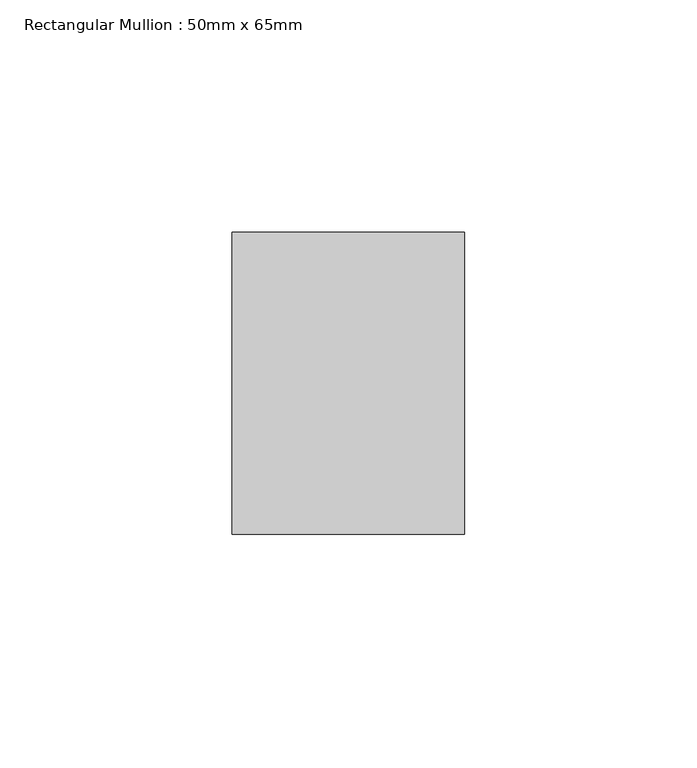
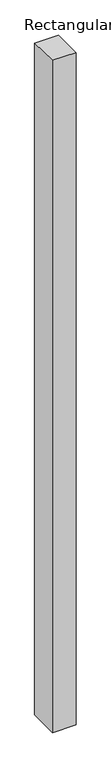
"""IFC4 building model written with IfcOpenShell, lengths in millimetres: member geometry, Rectangular Mullion : 50mm x 65mm."""

import ifcopenshell
import ifcopenshell.guid

model = None  # the IFC model being written
_history = None  # IfcOwnerHistory: only IFC2X3 demands one
_inside = {}  # id of a spatial element -> (the spatial element, [elements in it])
_under = {}  # id of a project, library or spatial element -> (it, [spatial elements below it])
_declared = {}  # id of a project -> (the project, [libraries it declares])
_typed = {}  # id of a type object -> (the type object, [elements of that type])
_made_of = {}  # id of a material, layer set ... -> (it, [elements and type objects made of it])


def new_model(schema):
    """Start an empty IFC model of exactly this schema.

    Asked for "IFC4X3", IfcOpenShell would pick the latest addendum, in which some entities
    have other attributes; the version numbers below select the first issue.
    IFC2X3 requires an IfcOwnerHistory on every rooted entity: one is made here for all.
    """
    global model, _history
    if schema == "IFC4X3":
        model = ifcopenshell.file(schema_version=(4, 3, 0, 0))
    else:
        model = ifcopenshell.file(schema=schema)
    _inside.clear()
    _under.clear()
    _declared.clear()
    _typed.clear()
    _made_of.clear()
    _history = None
    if model.schema == "IFC2X3":
        org = make("IfcOrganization", Name="unknown")
        user = make(
            "IfcPersonAndOrganization",
            ThePerson=make("IfcPerson", FamilyName="unknown"),
            TheOrganization=org,
        )
        app = make(
            "IfcApplication",
            ApplicationDeveloper=org,
            Version="unknown",
            ApplicationFullName="unknown",
            ApplicationIdentifier="unknown",
        )
        _history = make(
            "IfcOwnerHistory",
            OwningUser=user,
            OwningApplication=app,
            ChangeAction="ADDED",
            CreationDate=0,
        )
    return model


def make(cls, **values):
    """One entity of the class cls with the attributes given. An attribute that is None is left unset."""
    return model.create_entity(
        cls, **{name: value for name, value in values.items() if value is not None}
    )


def rooted(cls, **values):
    """An entity with a GlobalId (a new one), such as an element, a storey or a relation."""
    return make(cls, GlobalId=ifcopenshell.guid.new(), OwnerHistory=_history, **values)


def si_unit(unit_type, name, prefix=None):
    """IfcSIUnit, for example si_unit("LENGTHUNIT", "METRE", prefix="MILLI")."""
    return make("IfcSIUnit", UnitType=unit_type, Prefix=prefix, Name=name)


def assignment(units):
    """IfcUnitAssignment: the units of a project."""
    return None if units is None else make("IfcUnitAssignment", Units=units)


def point(xyz):
    """IfcCartesianPoint."""
    return None if xyz is None else make("IfcCartesianPoint", Coordinates=xyz)


def direction(xyz):
    """IfcDirection."""
    return None if xyz is None else make("IfcDirection", DirectionRatios=xyz)


def frame(location, z_axis=None, x_axis=None):
    """IfcAxis2Placement3D, a coordinate frame: its origin and axes. An axis left out is left unset."""
    return make(
        "IfcAxis2Placement3D",
        Location=point(location),
        Axis=direction(z_axis),
        RefDirection=direction(x_axis),
    )


def origin():
    """The frame at (0, 0, 0) with its axes left unset."""
    return frame((0.0, 0.0, 0.0))


def place(relative_to, where):
    """IfcLocalPlacement: puts the frame where relative to a parent placement (None: the world)."""
    return make(
        "IfcLocalPlacement", PlacementRelTo=relative_to, RelativePlacement=where
    )


def context(
    kind, dimensions, precision=None, world=None, true_north=None, identifier=None
):
    """IfcGeometricRepresentationContext, for example the 3D "Model" context."""
    return make(
        "IfcGeometricRepresentationContext",
        ContextIdentifier=identifier,
        ContextType=kind,
        CoordinateSpaceDimension=dimensions,
        Precision=precision,
        WorldCoordinateSystem=world,
        TrueNorth=true_north,
    )


def project(units=None, contexts=None):
    """IfcProject with its units and contexts."""
    return rooted(
        "IfcProject",
        Name="project",
        RepresentationContexts=contexts,
        UnitsInContext=assignment(units),
    )


def spatial(cls, under=None, at=None, **own):
    """A site, building, storey or space (cls), placed at a placement, below another one or the project."""
    s = rooted(cls, ObjectPlacement=at, **own)
    if under is not None:
        _under.setdefault(under.id(), (under, []))[1].append(s)
    return s


def faces_of(points, faces, orient=None, outer=None):
    """IfcFace entities. A face is a list of loops; a loop is a list of indices into points, from 0.

    orient and outer hold one flag for each loop. By default every Orientation is true, the
    first loop of a face is its IfcFaceOuterBound and the others are IfcFaceBound.
    """
    made = []
    for i, loops in enumerate(faces):
        bounds = []
        for j, loop in enumerate(loops):
            is_outer = j == 0 if outer is None else outer[i][j]
            bounds.append(
                make(
                    "IfcFaceOuterBound" if is_outer else "IfcFaceBound",
                    Bound=make("IfcPolyLoop", Polygon=[points[k] for k in loop]),
                    Orientation=True if orient is None else orient[i][j],
                )
            )
        made.append(make("IfcFace", Bounds=bounds))
    return made


def faceted_brep(points, faces, orient=None, outer=None, voids=None):
    """IfcFacetedBrep: a solid bounded by flat faces; with voids (closed shells), ...WithVoids."""
    shared = [point(p) for p in points]
    hull = make("IfcClosedShell", CfsFaces=faces_of(shared, faces, orient, outer))
    if voids is None:
        return make("IfcFacetedBrep", Outer=hull)
    return make(
        "IfcFacetedBrepWithVoids",
        Outer=hull,
        Voids=[
            make(cls, CfsFaces=faces_of(shared, fs, o, b)) for cls, fs, o, b in voids
        ],
    )


def shape(context_of_items, identifier, shape_type, items):
    """IfcShapeRepresentation: the items that make up one representation, for example the "Body"."""
    return make(
        "IfcShapeRepresentation",
        ContextOfItems=context_of_items,
        RepresentationIdentifier=identifier,
        RepresentationType=shape_type,
        Items=items,
    )


def source(mapping_origin, context_of_items, identifier, shape_type, items):
    """IfcRepresentationMap: a shape defined once, which mapped items show again and again."""
    return make(
        "IfcRepresentationMap",
        MappingOrigin=mapping_origin,
        MappedRepresentation=shape(context_of_items, identifier, shape_type, items),
    )


def transform(
    local_origin,
    x_axis=None,
    y_axis=None,
    z_axis=None,
    scale=None,
    scale2=None,
    scale3=None,
    uniform=True,
):
    """IfcCartesianTransformationOperator3D, or its non-uniform kind. x_axis, y_axis, z_axis: its Axis1, 2, 3."""
    if uniform:
        return make(
            "IfcCartesianTransformationOperator3D",
            Axis1=direction(x_axis),
            Axis2=direction(y_axis),
            LocalOrigin=point(local_origin),
            Scale=scale,
            Axis3=direction(z_axis),
        )
    return make(
        "IfcCartesianTransformationOperator3DnonUniform",
        Axis1=direction(x_axis),
        Axis2=direction(y_axis),
        LocalOrigin=point(local_origin),
        Scale=scale,
        Axis3=direction(z_axis),
        Scale2=scale2,
        Scale3=scale3,
    )


def mapped(mapping_source, mapping_target):
    """IfcMappedItem: shows the shape of a source again, moved by a transform."""
    return make(
        "IfcMappedItem", MappingSource=mapping_source, MappingTarget=mapping_target
    )


def made_of(thing, what):
    """Note that an element or type object is made of a material, layer set ...; save() writes the relation."""
    if what is not None:
        _made_of.setdefault(what.id(), (what, []))[1].append(thing)
    return thing


def element(
    cls,
    number,
    at=None,
    inside=None,
    cuts=None,
    type_object=None,
    material=None,
    context=None,
    identifier="Body",
    shape_type=None,
    held_by="IfcProductDefinitionShape",
    body=None,
    shapes=None,
    **own,
):
    """One element of the class cls, such as IfcWall. Its Tag is "e" and its number.

    at: its placement. inside: the storey or other place that contains it. cuts: it is an
    opening in that element (IfcRelVoidsElement). A single representation is given by context,
    identifier, shape_type and body (its items); several are given by shapes. held_by: the class
    of the entity that holds the representations. save() writes the other relations.
    """
    e = rooted(cls, Tag="e%d" % number, ObjectPlacement=at, **own)
    if body is not None:
        shapes = [shape(context, identifier, shape_type, body)]
    if shapes is not None:
        e.Representation = make(held_by, Representations=shapes)
    if inside is not None:
        _inside.setdefault(inside.id(), (inside, []))[1].append(e)
    if cuts is not None:
        rooted(
            "IfcRelVoidsElement", RelatingBuildingElement=cuts, RelatedOpeningElement=e
        )
    if type_object is not None:
        _typed.setdefault(type_object.id(), (type_object, []))[1].append(e)
    return made_of(e, material)


def aggregate(whole, parts):
    """IfcRelAggregates: a whole, such as a stair, and the parts it consists of."""
    return rooted("IfcRelAggregates", RelatingObject=whole, RelatedObjects=parts)


def save(model, path):
    """Write the relations noted so far, then the file.

    IfcRelAggregates (storeys below a building ...), IfcRelContainedInSpatialStructure (elements
    in a storey), IfcRelDefinesByType, IfcRelAssociatesMaterial and IfcRelDeclares: one each for
    every whole, place, type object, material and project.
    """
    for whole, parts in _under.values():
        aggregate(whole, parts)
    for where, things in _inside.values():
        rooted(
            "IfcRelContainedInSpatialStructure",
            RelatedElements=things,
            RelatingStructure=where,
        )
    for kind, things in _typed.values():
        rooted("IfcRelDefinesByType", RelatedObjects=things, RelatingType=kind)
    for what, things in _made_of.values():
        rooted("IfcRelAssociatesMaterial", RelatedObjects=things, RelatingMaterial=what)
    for by, libraries in _declared.values():
        rooted("IfcRelDeclares", RelatingContext=by, RelatedDefinitions=libraries)
    model.write(path)


def rectangular_mullion_50mm_x_65mm_6d03f666(model_context):
    return source(origin(), model_context, "Body", "Brep", [
        faceted_brep([(-25.0, 32.5, -0.4966774), (25.0, 32.5, -0.4966787), (25.0, 32.5, -1499.5929418), (-25.0, 32.5, -1499.5929428), (-25.0, -32.5, 0.4966787), (-25.0, -32.5, -1500.4075958), (25.0, -32.5, 0.4966774), (25.0, -32.5, -1500.4075948)], [[[0, 1, 2, 3]], [[4, 0, 3, 5]], [[6, 4, 5, 7]], [[1, 6, 7, 2]], [[1, 0, 4, 6]], [[2, 7, 5, 3]]]),
    ])


if __name__ == "__main__":
    model = new_model("IFC4")
    model_context = context("Model", 3, world=origin())
    ifc_project = project(units=[si_unit("LENGTHUNIT", "METRE", prefix="MILLI")], contexts=[model_context])
    site = spatial("IfcSite", under=ifc_project)
    building = spatial("IfcBuilding", under=site)
    placement = place(None, origin())
    rectangular_mullion_50mm_x_65mm_shape = rectangular_mullion_50mm_x_65mm_6d03f666(model_context)
    element("IfcMember", 1, ObjectType="Rectangular Mullion : 50mm x 65mm", at=placement, inside=building, context=model_context, shape_type="MappedRepresentation", body=[
        mapped(rectangular_mullion_50mm_x_65mm_shape, transform((0.0, 0.0, 0.0), x_axis=(1.0, 0.0, 0.0), y_axis=(0.0, 1.0, 0.0), z_axis=(0.0, 0.0, 1.0))),
    ])
    save(model, "model.ifc")
